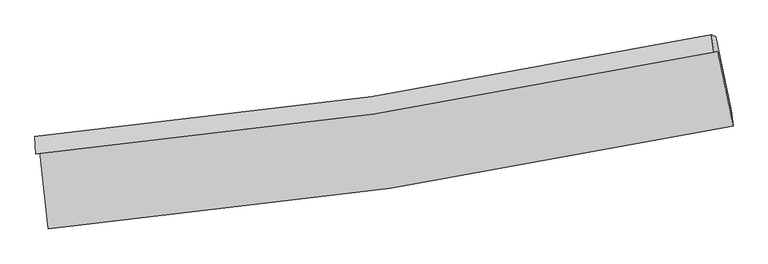
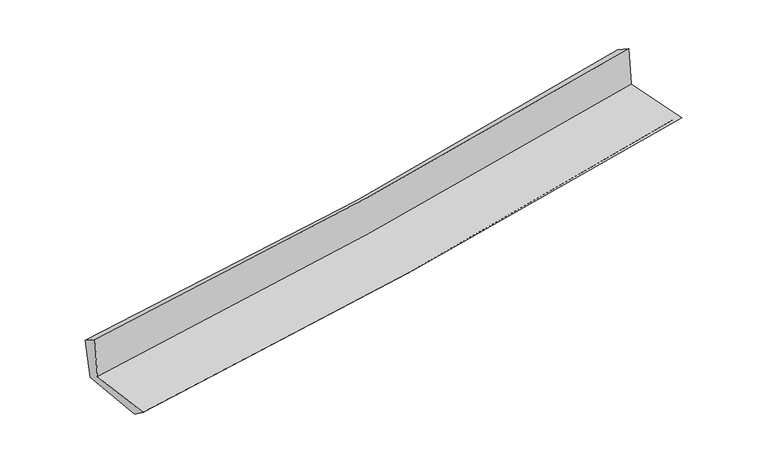
"""IFC4 building model written with IfcOpenShell, lengths in millimetres: proxy geometry."""

import ifcopenshell
import ifcopenshell.guid

model = None  # the IFC model being written
_history = None  # IfcOwnerHistory: only IFC2X3 demands one
_inside = {}  # id of a spatial element -> (the spatial element, [elements in it])
_under = {}  # id of a project, library or spatial element -> (it, [spatial elements below it])
_declared = {}  # id of a project -> (the project, [libraries it declares])
_typed = {}  # id of a type object -> (the type object, [elements of that type])
_made_of = {}  # id of a material, layer set ... -> (it, [elements and type objects made of it])


def new_model(schema):
    """Start an empty IFC model of exactly this schema.

    Asked for "IFC4X3", IfcOpenShell would pick the latest addendum, in which some entities
    have other attributes; the version numbers below select the first issue.
    IFC2X3 requires an IfcOwnerHistory on every rooted entity: one is made here for all.
    """
    global model, _history
    if schema == "IFC4X3":
        model = ifcopenshell.file(schema_version=(4, 3, 0, 0))
    else:
        model = ifcopenshell.file(schema=schema)
    _inside.clear()
    _under.clear()
    _declared.clear()
    _typed.clear()
    _made_of.clear()
    _history = None
    if model.schema == "IFC2X3":
        org = make("IfcOrganization", Name="unknown")
        user = make(
            "IfcPersonAndOrganization",
            ThePerson=make("IfcPerson", FamilyName="unknown"),
            TheOrganization=org,
        )
        app = make(
            "IfcApplication",
            ApplicationDeveloper=org,
            Version="unknown",
            ApplicationFullName="unknown",
            ApplicationIdentifier="unknown",
        )
        _history = make(
            "IfcOwnerHistory",
            OwningUser=user,
            OwningApplication=app,
            ChangeAction="ADDED",
            CreationDate=0,
        )
    return model


def make(cls, **values):
    """One entity of the class cls with the attributes given. An attribute that is None is left unset."""
    return model.create_entity(
        cls, **{name: value for name, value in values.items() if value is not None}
    )


def rooted(cls, **values):
    """An entity with a GlobalId (a new one), such as an element, a storey or a relation."""
    return make(cls, GlobalId=ifcopenshell.guid.new(), OwnerHistory=_history, **values)


def si_unit(unit_type, name, prefix=None):
    """IfcSIUnit, for example si_unit("LENGTHUNIT", "METRE", prefix="MILLI")."""
    return make("IfcSIUnit", UnitType=unit_type, Prefix=prefix, Name=name)


def assignment(units):
    """IfcUnitAssignment: the units of a project."""
    return None if units is None else make("IfcUnitAssignment", Units=units)


def point(xyz):
    """IfcCartesianPoint."""
    return None if xyz is None else make("IfcCartesianPoint", Coordinates=xyz)


def direction(xyz):
    """IfcDirection."""
    return None if xyz is None else make("IfcDirection", DirectionRatios=xyz)


def frame(location, z_axis=None, x_axis=None):
    """IfcAxis2Placement3D, a coordinate frame: its origin and axes. An axis left out is left unset."""
    return make(
        "IfcAxis2Placement3D",
        Location=point(location),
        Axis=direction(z_axis),
        RefDirection=direction(x_axis),
    )


def origin():
    """The frame at (0, 0, 0) with its axes left unset."""
    return frame((0.0, 0.0, 0.0))


def place(relative_to, where):
    """IfcLocalPlacement: puts the frame where relative to a parent placement (None: the world)."""
    return make(
        "IfcLocalPlacement", PlacementRelTo=relative_to, RelativePlacement=where
    )


def context(
    kind, dimensions, precision=None, world=None, true_north=None, identifier=None
):
    """IfcGeometricRepresentationContext, for example the 3D "Model" context."""
    return make(
        "IfcGeometricRepresentationContext",
        ContextIdentifier=identifier,
        ContextType=kind,
        CoordinateSpaceDimension=dimensions,
        Precision=precision,
        WorldCoordinateSystem=world,
        TrueNorth=true_north,
    )


def project(units=None, contexts=None):
    """IfcProject with its units and contexts."""
    return rooted(
        "IfcProject",
        Name="project",
        RepresentationContexts=contexts,
        UnitsInContext=assignment(units),
    )


def spatial(cls, under=None, at=None, **own):
    """A site, building, storey or space (cls), placed at a placement, below another one or the project."""
    s = rooted(cls, ObjectPlacement=at, **own)
    if under is not None:
        _under.setdefault(under.id(), (under, []))[1].append(s)
    return s


def shape(context_of_items, identifier, shape_type, items):
    """IfcShapeRepresentation: the items that make up one representation, for example the "Body"."""
    return make(
        "IfcShapeRepresentation",
        ContextOfItems=context_of_items,
        RepresentationIdentifier=identifier,
        RepresentationType=shape_type,
        Items=items,
    )


def source(mapping_origin, context_of_items, identifier, shape_type, items):
    """IfcRepresentationMap: a shape defined once, which mapped items show again and again."""
    return make(
        "IfcRepresentationMap",
        MappingOrigin=mapping_origin,
        MappedRepresentation=shape(context_of_items, identifier, shape_type, items),
    )


def transform(
    local_origin,
    x_axis=None,
    y_axis=None,
    z_axis=None,
    scale=None,
    scale2=None,
    scale3=None,
    uniform=True,
):
    """IfcCartesianTransformationOperator3D, or its non-uniform kind. x_axis, y_axis, z_axis: its Axis1, 2, 3."""
    if uniform:
        return make(
            "IfcCartesianTransformationOperator3D",
            Axis1=direction(x_axis),
            Axis2=direction(y_axis),
            LocalOrigin=point(local_origin),
            Scale=scale,
            Axis3=direction(z_axis),
        )
    return make(
        "IfcCartesianTransformationOperator3DnonUniform",
        Axis1=direction(x_axis),
        Axis2=direction(y_axis),
        LocalOrigin=point(local_origin),
        Scale=scale,
        Axis3=direction(z_axis),
        Scale2=scale2,
        Scale3=scale3,
    )


def mapped(mapping_source, mapping_target):
    """IfcMappedItem: shows the shape of a source again, moved by a transform."""
    return make(
        "IfcMappedItem", MappingSource=mapping_source, MappingTarget=mapping_target
    )


def made_of(thing, what):
    """Note that an element or type object is made of a material, layer set ...; save() writes the relation."""
    if what is not None:
        _made_of.setdefault(what.id(), (what, []))[1].append(thing)
    return thing


def element(
    cls,
    number,
    at=None,
    inside=None,
    cuts=None,
    type_object=None,
    material=None,
    context=None,
    identifier="Body",
    shape_type=None,
    held_by="IfcProductDefinitionShape",
    body=None,
    shapes=None,
    **own,
):
    """One element of the class cls, such as IfcWall. Its Tag is "e" and its number.

    at: its placement. inside: the storey or other place that contains it. cuts: it is an
    opening in that element (IfcRelVoidsElement). A single representation is given by context,
    identifier, shape_type and body (its items); several are given by shapes. held_by: the class
    of the entity that holds the representations. save() writes the other relations.
    """
    e = rooted(cls, Tag="e%d" % number, ObjectPlacement=at, **own)
    if body is not None:
        shapes = [shape(context, identifier, shape_type, body)]
    if shapes is not None:
        e.Representation = make(held_by, Representations=shapes)
    if inside is not None:
        _inside.setdefault(inside.id(), (inside, []))[1].append(e)
    if cuts is not None:
        rooted(
            "IfcRelVoidsElement", RelatingBuildingElement=cuts, RelatedOpeningElement=e
        )
    if type_object is not None:
        _typed.setdefault(type_object.id(), (type_object, []))[1].append(e)
    return made_of(e, material)


def aggregate(whole, parts):
    """IfcRelAggregates: a whole, such as a stair, and the parts it consists of."""
    return rooted("IfcRelAggregates", RelatingObject=whole, RelatedObjects=parts)


def save(model, path):
    """Write the relations noted so far, then the file.

    IfcRelAggregates (storeys below a building ...), IfcRelContainedInSpatialStructure (elements
    in a storey), IfcRelDefinesByType, IfcRelAssociatesMaterial and IfcRelDeclares: one each for
    every whole, place, type object, material and project.
    """
    for whole, parts in _under.values():
        aggregate(whole, parts)
    for where, things in _inside.values():
        rooted(
            "IfcRelContainedInSpatialStructure",
            RelatedElements=things,
            RelatingStructure=where,
        )
    for kind, things in _typed.values():
        rooted("IfcRelDefinesByType", RelatedObjects=things, RelatingType=kind)
    for what, things in _made_of.values():
        rooted("IfcRelAssociatesMaterial", RelatedObjects=things, RelatingMaterial=what)
    for by, libraries in _declared.values():
        rooted("IfcRelDeclares", RelatingContext=by, RelatedDefinitions=libraries)
    model.write(path)


def plane_surface(at):
    """IfcPlane: the flat surface through the origin of the frame at, square to its z axis."""
    return make("IfcPlane", Position=at)


def spline_curve(degree, points, multiplicities, knots, weights=None):
    """IfcBSplineCurveWithKnots; with weights, IfcRationalBSplineCurveWithKnots."""
    own = dict(
        Degree=degree,
        ControlPointsList=[point(p) for p in points],
        CurveForm="UNSPECIFIED",
        ClosedCurve=False,
        SelfIntersect=False,
        KnotMultiplicities=multiplicities,
        Knots=knots,
        KnotSpec="UNSPECIFIED",
    )
    if weights is None:
        return make("IfcBSplineCurveWithKnots", **own)
    return make("IfcRationalBSplineCurveWithKnots", WeightsData=weights, **own)


def spline_surface(u_degree, v_degree, points, u_multiplicities, v_multiplicities, u_knots, v_knots, weights=None):
    """IfcBSplineSurfaceWithKnots; with weights, IfcRationalBSplineSurfaceWithKnots. points: one row for each step in u."""
    own = dict(
        UDegree=u_degree,
        VDegree=v_degree,
        ControlPointsList=[[point(p) for p in row] for row in points],
        SurfaceForm="UNSPECIFIED",
        UClosed=False,
        VClosed=False,
        SelfIntersect=False,
        UMultiplicities=u_multiplicities,
        VMultiplicities=v_multiplicities,
        UKnots=u_knots,
        VKnots=v_knots,
        KnotSpec="UNSPECIFIED",
    )
    if weights is None:
        return make("IfcBSplineSurfaceWithKnots", **own)
    return make("IfcRationalBSplineSurfaceWithKnots", WeightsData=weights, **own)


def advanced_brep(points, edges, surfaces, faces):
    """IfcAdvancedBrep: a solid bounded by faces that lie on surfaces and meet in shared edges.

    An edge is (start, end): straight between two places in points (the first is 0);
    or (start, end, curve); or (start, end, curve, False) where it runs against its curve.
    A face is (place in surfaces, loops), or (place, loops, False) where it looks against
    its surface's normal. A loop lists edges by number (the first is 1), with a minus sign
    where the edge is run from its end to its start. The first loop is the outer one.
    """
    corners = [point(p) for p in points]
    vertices = [make("IfcVertexPoint", VertexGeometry=c) for c in corners]
    made = []
    for start, end, *more in edges:
        made.append(
            make(
                "IfcEdgeCurve",
                EdgeStart=vertices[start],
                EdgeEnd=vertices[end],
                EdgeGeometry=more[0] if more else make("IfcPolyline", Points=[corners[start], corners[end]]),
                SameSense=more[1] if len(more) > 1 else True,
            )
        )
    hull = []
    for where, loops, *sense in faces:
        bounds = []
        for j, loop in enumerate(loops):
            ring = [make("IfcOrientedEdge", EdgeElement=made[abs(k) - 1], Orientation=k > 0) for k in loop]
            bounds.append(
                make(
                    "IfcFaceOuterBound" if j == 0 else "IfcFaceBound",
                    Bound=make("IfcEdgeLoop", EdgeList=ring),
                    Orientation=True,
                )
            )
        hull.append(make("IfcAdvancedFace", Bounds=bounds, FaceSurface=surfaces[where], SameSense=sense[0] if sense else True))
    return make("IfcAdvancedBrep", Outer=make("IfcClosedShell", CfsFaces=hull))


def generic_models_671e1855(model_context):
    return source(origin(), model_context, "Body", "AdvancedBrep", [
        advanced_brep(
        [(-2964.1810237, -1899.7664555, 1613.2392149), (-2890.9787521, -2573.2411818, 1615.1316923), (3055.1356765, -1676.6024975, 2130.1398728), (2922.4087376, -1024.3935458, 2137.9507634), (-2998.3304457, -1918.3561552, 2027.7616612), (2889.3388813, -1035.832675, 2531.1763025), (-3006.5207895, -1767.4351352, 1933.2163007), (2866.9190143, -884.4417337, 2439.7682133), (-2970.0816753, -1783.1253378, 1535.2487588), (2905.9024773, -899.6435469, 2040.7553565), (-2897.0911756, -2434.5544402, 1512.0478729), (3037.2921852, -1541.3350039, 2024.1456616)],
        [
            (0, 1),
            (1, 2, spline_curve(3, [(-2890.9787521, -2573.2411818, 1615.1316923), (-1900.435368188, -2485.381588667, 1720.937662029), (-913.339911327, -2367.518069651, 1816.513716647), (1068.803108722, -2069.551151046, 1988.494278344), (2063.745794896, -1888.535108721, 2064.587617112), (3055.1356765, -1676.6024975, 2130.1398728)], [4, 2, 4], [0.0, 9.782323928336893, 19.712310066670643])),
            (2, 3),
            (3, 0, spline_curve(3, [(2922.4087376, -1024.3935458, 2137.9507634), (1941.253366674, -1229.631551353, 2065.951328171), (956.424585692, -1405.526567788, 1985.837773248), (-1005.880438602, -1696.451346413, 1810.694398342), (-1983.248244802, -1812.347299437, 1715.904103893), (-2964.1810237, -1899.7664555, 1613.2392149)], [4, 2, 4], [0.0, 9.92998613833375, 19.712310066670643])),
            (4, 0),
            (3, 5),
            (5, 4, spline_curve(3, [(2889.3388813, -1035.832675, 2531.1763025), (1908.835859306, -1246.683031813, 2462.131004241), (924.239492708, -1425.968045147, 2385.284883727), (-1038.437783331, -1719.210743833, 2217.249726778), (-2016.397858944, -1834.100224008, 2126.290966728), (-2998.3304457, -1918.3561552, 2027.7616612)], [4, 2, 4], [0.0, 9.879871129646563, 19.61282527621136])),
            (6, 4),
            (5, 7),
            (7, 6, spline_curve(3, [(2866.9190143, -884.4417337, 2439.7682133), (1890.076519484, -1093.892139938, 2354.949064903), (908.50033153, -1272.522170742, 2270.009728411), (-1049.452673022, -1565.943500934, 2101.155542925), (-2025.689752945, -1681.644604402, 2017.244241979), (-3006.5207895, -1767.4351352, 1933.2163007)], [4, 2, 4], [0.0, 9.868831425968299, 19.590910032935238])),
            (8, 6),
            (7, 9),
            (9, 8, spline_curve(3, [(2905.9024773, -899.6435469, 2040.7553565), (1929.212882127, -1108.966275829, 1948.992187351), (947.497353866, -1287.574257041, 1860.695268392), (-1011.312393814, -1581.16150199, 1692.295391579), (-1988.258249548, -1697.047451184, 1612.090111193), (-2970.0816753, -1783.1253378, 1535.2487588)], [4, 2, 4], [0.0, 9.85938761295815, 19.572162839568165])),
            (10, 8),
            (9, 11),
            (11, 10, spline_curve(3, [(3037.2921852, -1541.3350039, 2024.1456616), (2049.790491929, -1752.79038584, 1938.392743402), (1057.769626928, -1933.280378985, 1852.520913397), (-920.491563784, -2230.106106815, 1681.818140057), (-1906.598485559, -2347.355926079, 1596.990707336), (-2897.0911756, -2434.5544402, 1512.0478729)], [4, 2, 4], [0.0, 9.910640943003365, 19.673907345524768])),
            (1, 10),
            (11, 2),
        ],
        [
            spline_surface(3, 3, [[(-2964.1810237, -1899.7664555, 1613.2392149), (-1983.24824482, -1812.347299449, 1715.904104008), (-1005.880438688, -1696.451346271, 1810.694398504), (956.42458578, -1405.526567932, 1985.837773084), (1941.253366773, -1229.63155121, 2065.95132811), (2922.4087376, -1024.3935458, 2137.9507634)], [(-2939.780266511, -2124.258030951, 1613.870040704), (-1955.643952568, -2036.692062495, 1717.581956725), (-975.03359625, -1920.140254074, 1812.634171266), (993.8840934, -1626.868095672, 1986.723274798), (1982.084176131, -1449.266070345, 2065.496757783), (2966.651050557, -1241.796529707, 2135.347133215)], [(-2915.379509289, -2348.749606349, 1614.500866496), (-1928.039660282, -2261.036825488, 1719.25980943), (-944.186753748, -2143.829161809, 1814.573944014), (1031.343601085, -1848.209623345, 1987.608776499), (2022.914985517, -1668.900589458, 2065.042187412), (3010.893363543, -1459.199513593, 2132.743502985)], [(-2890.9787521, -2573.2411818, 1615.1316923), (-1900.435368029, -2485.381588534, 1720.937662147), (-913.33991131, -2367.518069612, 1816.513716775), (1068.803108705, -2069.551151085, 1988.494278213), (2063.745794875, -1888.535108593, 2064.587617085), (3055.1356765, -1676.6024975, 2130.1398728)]], [4, 4], [4, 2, 4], [0.0, 2.21570305686877], [0.0, 9.782323928336893, 19.712310066670643]),
            spline_surface(3, 3, [[(-2998.3304457, -1918.3561552, 2027.7616612), (-2016.397859012, -1834.100224093, 2126.290966707), (-1038.437783305, -1719.210743967, 2217.249726688), (924.239492682, -1425.96804501, 2385.284883818), (1908.835859305, -1246.683031754, 2462.131004261), (2889.3388813, -1035.832675, 2531.1763025)], [(-2986.947305005, -1912.159588631, 1889.58751243), (-2005.347987587, -1826.84924921, 1989.495345804), (-1027.585335101, -1711.624278043, 2081.731283949), (934.967857047, -1419.154219291, 2252.135846896), (1919.641695141, -1240.999204913, 2330.071112191), (2900.362166747, -1032.01963194, 2400.101122781)], [(-2975.564164395, -1905.963022069, 1751.41336367), (-1994.298116245, -1819.598274333, 1852.69972491), (-1016.732886893, -1704.037812196, 1946.212841242), (945.696221415, -1412.340393651, 2118.986810006), (1930.447530937, -1235.315378051, 2198.01122018), (2911.385452153, -1028.20658886, 2269.025943119)], [(-2964.1810237, -1899.7664555, 1613.2392149), (-1983.24824482, -1812.347299449, 1715.904104008), (-1005.880438688, -1696.451346271, 1810.694398504), (956.42458578, -1405.526567932, 1985.837773084), (1941.253366773, -1229.63155121, 2065.95132811), (2922.4087376, -1024.3935458, 2137.9507634)]], [4, 4], [4, 2, 4], [0.0, 1.328155324951294], [0.0, 9.732954146564797, 19.61282527621136]),
            spline_surface(3, 3, [[(-3006.5207895, -1767.4351352, 1933.2163007), (-2025.689752948, -1681.644604371, 2017.244241852), (-1049.452672942, -1565.943501064, 2101.155542952), (908.500331449, -1272.52217061, 2270.009728382), (1890.076519349, -1093.892140024, 2354.949064811), (2866.9190143, -884.4417337, 2439.7682133)], [(-3003.790674908, -1817.742141882, 1964.731420867), (-2022.592454977, -1732.463144293, 2053.593150137), (-1045.781043056, -1617.032582056, 2139.853604207), (913.746718534, -1323.670795434, 2308.434780204), (1896.329632647, -1144.822437243, 2390.676377964), (2874.39230328, -934.905380776, 2470.23757637)], [(-3001.060560292, -1868.049148518, 1996.246541033), (-2019.495156982, -1783.281684171, 2089.942058422), (-1042.109413192, -1668.121662975, 2178.551665433), (918.993105597, -1374.819420186, 2346.859831997), (1902.582746007, -1195.752734535, 2426.403691108), (2881.86559232, -985.369027924, 2500.70693943)], [(-2998.3304457, -1918.3561552, 2027.7616612), (-2016.397859012, -1834.100224093, 2126.290966707), (-1038.437783305, -1719.210743967, 2217.249726688), (924.239492682, -1425.96804501, 2385.284883818), (1908.835859305, -1246.683031754, 2462.131004261), (2889.3388813, -1035.832675, 2531.1763025)]], [4, 4], [4, 2, 4], [0.0, 0.6317617448206106], [0.0, 9.722078606966939, 19.590910032935238]),
            spline_surface(3, 3, [[(-2970.0816753, -1783.1253378, 1535.2487588), (-1988.258249626, -1697.047451175, 1612.090111073), (-1011.312393684, -1581.161502049, 1692.295391435), (947.497353735, -1287.574256981, 1860.695268538), (1929.212882025, -1108.96627586, 1948.992187443), (2905.9024773, -899.6435469, 2040.7553565)], [(-2982.228046719, -1777.895270237, 1667.9046061), (-2000.735417419, -1691.913168877, 1747.141488), (-1024.025820105, -1576.088835032, 1828.582108605), (934.498346305, -1282.556894835, 1997.133421817), (1916.16742781, -1103.941563942, 2084.311146584), (2892.907989644, -894.576275861, 2173.759642119)], [(-2994.374418081, -1772.665202763, 1800.5604534), (-2013.212585154, -1686.778886669, 1882.192864926), (-1036.739246521, -1571.016168081, 1964.868825782), (921.499338879, -1277.539532756, 2133.571575103), (1903.121973564, -1098.916851942, 2219.63010567), (2879.913501956, -889.509004739, 2306.763927681)], [(-3006.5207895, -1767.4351352, 1933.2163007), (-2025.689752948, -1681.644604371, 2017.244241852), (-1049.452672942, -1565.943501064, 2101.155542952), (908.500331449, -1272.52217061, 2270.009728382), (1890.076519349, -1093.892140024, 2354.949064811), (2866.9190143, -884.4417337, 2439.7682133)]], [4, 4], [4, 2, 4], [0.0, 1.3490268933234646], [0.0, 9.712775226610015, 19.572162839568165]),
            spline_surface(3, 3, [[(-2897.0911756, -2434.5544402, 1512.0478729), (-1906.598485684, -2347.355925917, 1596.990707396), (-920.491563842, -2230.106106913, 1681.818140148), (1057.769626986, -1933.280378885, 1852.520913304), (2049.790492049, -1752.790385774, 1938.392743392), (3037.2921852, -1541.3350039, 2024.1456616)], [(-2921.421342143, -2217.411406092, 1519.781501559), (-1933.818406975, -2130.586434362, 1602.023841981), (-950.765173782, -2013.791238628, 1685.310557248), (1021.012202576, -1718.04500492, 1855.245698387), (2009.597955368, -1538.182349127, 1941.925891388), (2993.495615893, -1327.437851558, 2029.682226546)], [(-2945.751508757, -2000.268371908, 1527.515130141), (-1961.038328336, -1913.81694273, 1607.056976488), (-981.038783744, -1797.476370334, 1688.802974335), (984.254778145, -1502.809630946, 1857.970483456), (1969.405418706, -1323.574312507, 1945.459039446), (2949.699046607, -1113.540699242, 2035.218791554)], [(-2970.0816753, -1783.1253378, 1535.2487588), (-1988.258249626, -1697.047451175, 1612.090111073), (-1011.312393684, -1581.161502049, 1692.295391435), (947.497353735, -1287.574256981, 1860.695268538), (1929.212882025, -1108.96627586, 1948.992187443), (2905.9024773, -899.6435469, 2040.7553565)]], [4, 4], [4, 2, 4], [0.0, 2.14944914705813], [0.0, 9.763266402521403, 19.673907345524768]),
            spline_surface(3, 3, [[(-2890.9787521, -2573.2411818, 1615.1316923), (-1900.435368029, -2485.381588534, 1720.937662147), (-913.33991131, -2367.518069612, 1816.513716775), (1068.803108705, -2069.551151085, 1988.494278213), (2063.745794875, -1888.535108593, 2064.587617085), (3055.1356765, -1676.6024975, 2130.1398728)], [(-2893.016226612, -2527.012267908, 1580.770419139), (-1902.489740593, -2439.373034303, 1679.622010536), (-915.723795478, -2321.714082045, 1771.615191227), (1065.125281474, -2024.127560351, 1943.169823238), (2059.094027279, -1843.286867645, 2022.522659191), (3049.187846079, -1631.513332959, 2094.80846907)], [(-2895.053701088, -2480.783354092, 1546.409146061), (-1904.54411312, -2393.364480148, 1638.306359007), (-918.107679674, -2275.910094481, 1726.716665696), (1061.447454217, -1978.70396962, 1897.845368279), (2054.442259645, -1798.038626722, 1980.457701286), (3043.240015621, -1586.424168441, 2059.47706533)], [(-2897.0911756, -2434.5544402, 1512.0478729), (-1906.598485684, -2347.355925917, 1596.990707396), (-920.491563842, -2230.106106913, 1681.818140148), (1057.769626986, -1933.280378885, 1852.520913304), (2049.790492049, -1752.790385774, 1938.392743392), (3037.2921852, -1541.3350039, 2024.1456616)]], [4, 4], [4, 2, 4], [0.0, 0.6321385192462041], [0.0, 9.821870730234556, 19.79200062147774]),
            plane_surface(frame((2946.166162, -1177.0415005, 2217.322695), z_axis=(0.9763306541713342, 0.19763471812645614, 0.08785767989453695), x_axis=(-0.09716696717424882, 0.03789078659792786, 0.9945465644107112))),
            plane_surface(frame((-2954.5306436, -2062.7464509, 1706.1075835), z_axis=(-0.9903984086134225, -0.10789266096561273, -0.08643012163452979), x_axis=(-0.10805656634182763, 0.9941408222771443, -0.002793555536894237))),
        ],
        [
            (0, [[1, 2, 3, 4]]),
            (1, [[5, -4, 6, 7]]),
            (2, [[8, -7, 9, 10]]),
            (3, [[11, -10, 12, 13]]),
            (4, [[14, -13, 15, 16]]),
            (5, [[17, -16, 18, -2]]),
            (6, [[-12, -9, -6, -3, -18, -15]]),
            (7, [[-1, -5, -8, -11, -14, -17]]),
        ],
    ),
    ])


if __name__ == "__main__":
    model = new_model("IFC4")
    model_context = context("Model", 3, world=origin())
    ifc_project = project(units=[si_unit("LENGTHUNIT", "METRE", prefix="MILLI")], contexts=[model_context])
    site = spatial("IfcSite", under=ifc_project)
    building = spatial("IfcBuilding", under=site)
    placement = place(None, origin())
    generic_models_shape = generic_models_671e1855(model_context)
    element("IfcBuildingElementProxy", 1, Name="Generic Models", at=placement, inside=building, context=model_context, shape_type="MappedRepresentation", body=[
        mapped(generic_models_shape, transform((0.0, 0.0, 0.0), x_axis=(1.0, 0.0, 0.0), y_axis=(0.0, 1.0, 0.0), z_axis=(0.0, 0.0, 1.0))),
    ])
    save(model, "model.ifc")
